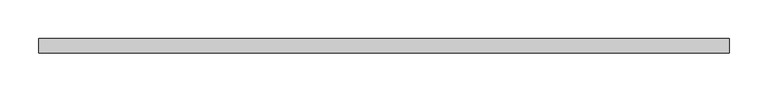
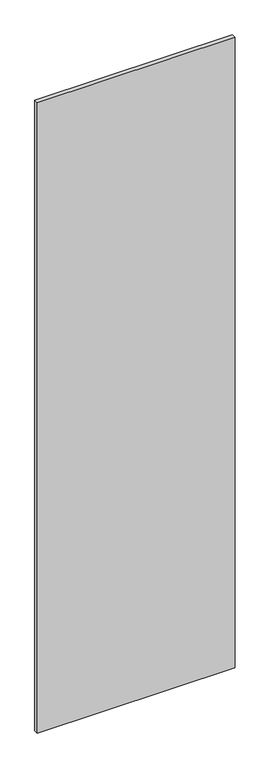
"""IFC4 building model written with IfcOpenShell, lengths in millimetres: proxy geometry."""

from ifc_helpers import new_model, si_unit, frame, origin, place, context, project, spatial, polyline, outline, extrude, source, transform, mapped, element, save


def specialty_equipment_417d7bcd(model_context):
    return source(origin(), model_context, "Body", "SweptSolid", [
        extrude(outline(polyline([(447.1822413, 9.525), (447.1822413, -9.525), (-447.1822413, -9.525), (-447.1822413, 9.525), (447.1822413, 9.525)])), frame((0.0, 0.0, 3.175), z_axis=(0.0, 0.0, 1.0), x_axis=(1.0, 0.0, 0.0)), (0.0, 0.0, 1.0), 3013.075),
    ])


if __name__ == "__main__":
    model = new_model("IFC4")
    model_context = context("Model", 3, world=origin())
    ifc_project = project(units=[si_unit("LENGTHUNIT", "METRE", prefix="MILLI")], contexts=[model_context])
    site = spatial("IfcSite", under=ifc_project)
    building = spatial("IfcBuilding", under=site)
    placement = place(None, origin())
    specialty_equipment_shape = specialty_equipment_417d7bcd(model_context)
    element("IfcBuildingElementProxy", 1, Name="Specialty Equipment", at=placement, inside=building, context=model_context, shape_type="MappedRepresentation", body=[
        mapped(specialty_equipment_shape, transform((0.0, 0.0, 0.0), x_axis=(1.0, 0.0, 0.0), y_axis=(0.0, 1.0, 0.0), z_axis=(0.0, 0.0, 1.0))),
    ])
    save(model, "model.ifc")
